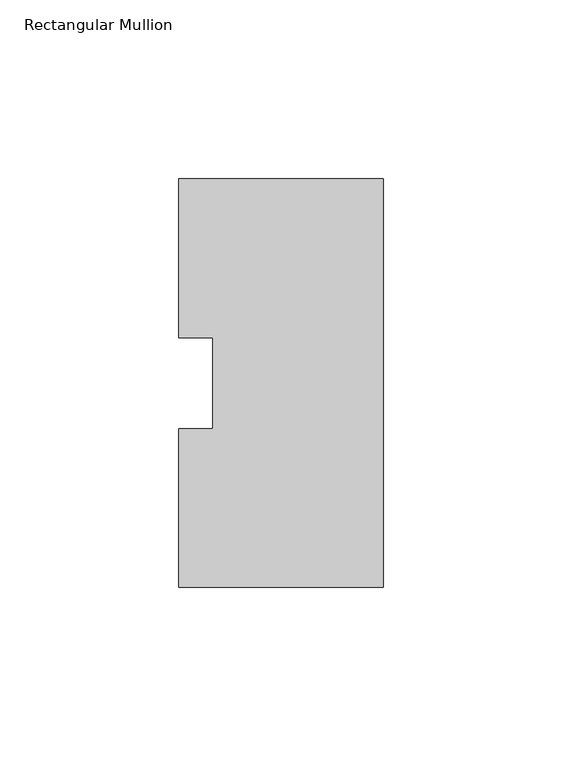
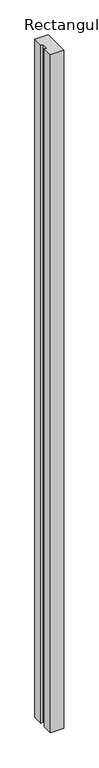
"""IFC4 building model written with IfcOpenShell, lengths in millimetres: member geometry, Rectangular Mullion."""

from ifc_helpers import new_model, si_unit, frame, origin, place, context, project, spatial, polyline, outline, extrude, source, transform, mapped, element, save


def rectangular_mullion_60f6f3e8(model_context):
    return source(origin(), model_context, "Body", "SweptSolid", [
        extrude(outline(polyline([(0.0, -57.18175), (-57.15, -57.18175), (-57.15, -12.7866891), (-47.625, -12.7866891), (-47.625, 12.7010092), (-57.15, 12.7010092), (-57.15, 57.11825), (0.0, 57.11825), (0.0, -57.18175)])), frame((0.0, 0.0, -3048.0), z_axis=(0.0, 0.0, 1.0), x_axis=(1.0, 0.0, 0.0)), (0.0, 0.0, 1.0), 3048.0),
    ])


if __name__ == "__main__":
    model = new_model("IFC4")
    model_context = context("Model", 3, world=origin())
    ifc_project = project(units=[si_unit("LENGTHUNIT", "METRE", prefix="MILLI")], contexts=[model_context])
    site = spatial("IfcSite", under=ifc_project)
    building = spatial("IfcBuilding", under=site)
    placement = place(None, origin())
    rectangular_mullion_shape = rectangular_mullion_60f6f3e8(model_context)
    element("IfcMember", 1, ObjectType="Rectangular Mullion", at=placement, inside=building, context=model_context, shape_type="MappedRepresentation", body=[
        mapped(rectangular_mullion_shape, transform((0.0, 0.0, 0.0), x_axis=(1.0, 0.0, 0.0), y_axis=(0.0, 1.0, 0.0), z_axis=(0.0, 0.0, 1.0))),
    ])
    save(model, "model.ifc")
